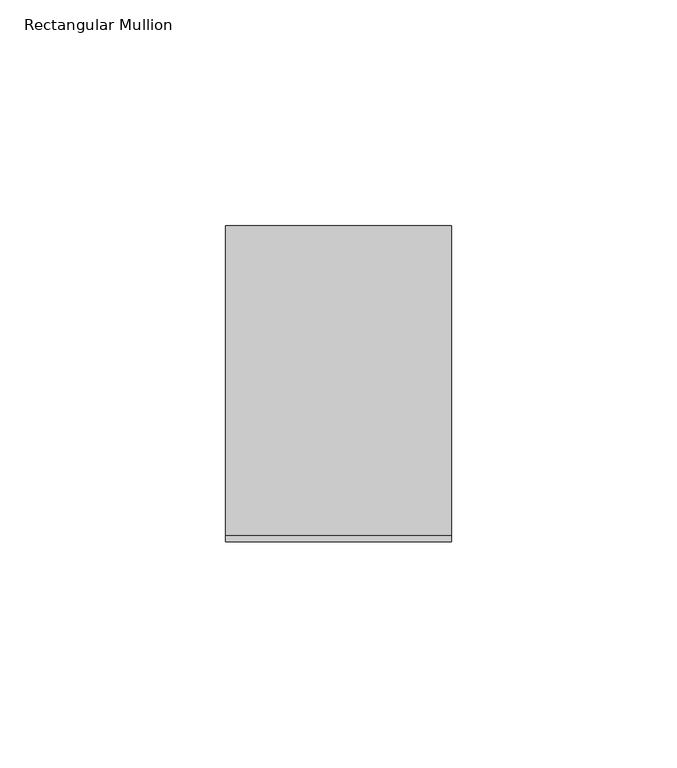
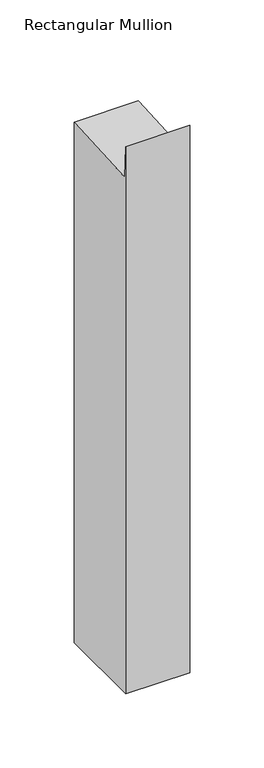
"""IFC4 building model written with IfcOpenShell, lengths in millimetres: member geometry, Rectangular Mullion."""

from ifc_helpers import new_model, si_unit, frame, origin, place, context, project, spatial, polyline, outline, extrude, source, transform, mapped, element, save


def rectangular_mullion_50da7e1f(model_context):
    return source(origin(), model_context, "Body", "SweptSolid", [
        extrude(outline(polyline([(-35.0, 24.0223615), (-33.5498891, -1.9147718), (35.0, 1.917762), (35.0, -427.3935449), (-35.0, -427.3935449), (-35.0, 24.0223615)])), frame((-50.0, 0.0, 0.0), z_axis=(1.0, 0.0, 0.0), x_axis=(0.0, 1.0, 0.0)), (0.0, 0.0, 1.0), 50.0),
    ])


if __name__ == "__main__":
    model = new_model("IFC4")
    model_context = context("Model", 3, world=origin())
    ifc_project = project(units=[si_unit("LENGTHUNIT", "METRE", prefix="MILLI")], contexts=[model_context])
    site = spatial("IfcSite", under=ifc_project)
    building = spatial("IfcBuilding", under=site)
    placement = place(None, origin())
    rectangular_mullion_shape = rectangular_mullion_50da7e1f(model_context)
    element("IfcMember", 1, ObjectType="Rectangular Mullion", at=placement, inside=building, context=model_context, shape_type="MappedRepresentation", body=[
        mapped(rectangular_mullion_shape, transform((0.0, 0.0, 0.0), x_axis=(1.0, 0.0, 0.0), y_axis=(0.0, 1.0, 0.0), z_axis=(0.0, 0.0, 1.0))),
    ])
    save(model, "model.ifc")
